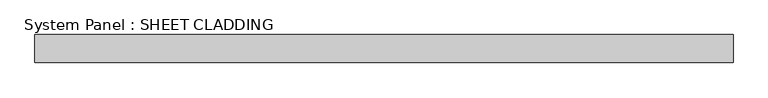
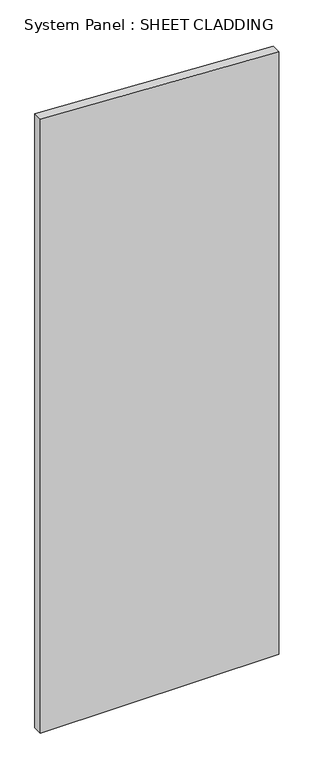
"""IFC4 building model written with IfcOpenShell, lengths in millimetres: plate geometry, System Panel : SHEET CLADDING."""

import ifcopenshell
import ifcopenshell.guid

model = None  # the IFC model being written
_history = None  # IfcOwnerHistory: only IFC2X3 demands one
_inside = {}  # id of a spatial element -> (the spatial element, [elements in it])
_under = {}  # id of a project, library or spatial element -> (it, [spatial elements below it])
_declared = {}  # id of a project -> (the project, [libraries it declares])
_typed = {}  # id of a type object -> (the type object, [elements of that type])
_made_of = {}  # id of a material, layer set ... -> (it, [elements and type objects made of it])


def new_model(schema):
    """Start an empty IFC model of exactly this schema.

    Asked for "IFC4X3", IfcOpenShell would pick the latest addendum, in which some entities
    have other attributes; the version numbers below select the first issue.
    IFC2X3 requires an IfcOwnerHistory on every rooted entity: one is made here for all.
    """
    global model, _history
    if schema == "IFC4X3":
        model = ifcopenshell.file(schema_version=(4, 3, 0, 0))
    else:
        model = ifcopenshell.file(schema=schema)
    _inside.clear()
    _under.clear()
    _declared.clear()
    _typed.clear()
    _made_of.clear()
    _history = None
    if model.schema == "IFC2X3":
        org = make("IfcOrganization", Name="unknown")
        user = make(
            "IfcPersonAndOrganization",
            ThePerson=make("IfcPerson", FamilyName="unknown"),
            TheOrganization=org,
        )
        app = make(
            "IfcApplication",
            ApplicationDeveloper=org,
            Version="unknown",
            ApplicationFullName="unknown",
            ApplicationIdentifier="unknown",
        )
        _history = make(
            "IfcOwnerHistory",
            OwningUser=user,
            OwningApplication=app,
            ChangeAction="ADDED",
            CreationDate=0,
        )
    return model


def make(cls, **values):
    """One entity of the class cls with the attributes given. An attribute that is None is left unset."""
    return model.create_entity(
        cls, **{name: value for name, value in values.items() if value is not None}
    )


def rooted(cls, **values):
    """An entity with a GlobalId (a new one), such as an element, a storey or a relation."""
    return make(cls, GlobalId=ifcopenshell.guid.new(), OwnerHistory=_history, **values)


def si_unit(unit_type, name, prefix=None):
    """IfcSIUnit, for example si_unit("LENGTHUNIT", "METRE", prefix="MILLI")."""
    return make("IfcSIUnit", UnitType=unit_type, Prefix=prefix, Name=name)


def assignment(units):
    """IfcUnitAssignment: the units of a project."""
    return None if units is None else make("IfcUnitAssignment", Units=units)


def point(xyz):
    """IfcCartesianPoint."""
    return None if xyz is None else make("IfcCartesianPoint", Coordinates=xyz)


def direction(xyz):
    """IfcDirection."""
    return None if xyz is None else make("IfcDirection", DirectionRatios=xyz)


def frame(location, z_axis=None, x_axis=None):
    """IfcAxis2Placement3D, a coordinate frame: its origin and axes. An axis left out is left unset."""
    return make(
        "IfcAxis2Placement3D",
        Location=point(location),
        Axis=direction(z_axis),
        RefDirection=direction(x_axis),
    )


def origin():
    """The frame at (0, 0, 0) with its axes left unset."""
    return frame((0.0, 0.0, 0.0))


def place(relative_to, where):
    """IfcLocalPlacement: puts the frame where relative to a parent placement (None: the world)."""
    return make(
        "IfcLocalPlacement", PlacementRelTo=relative_to, RelativePlacement=where
    )


def context(
    kind, dimensions, precision=None, world=None, true_north=None, identifier=None
):
    """IfcGeometricRepresentationContext, for example the 3D "Model" context."""
    return make(
        "IfcGeometricRepresentationContext",
        ContextIdentifier=identifier,
        ContextType=kind,
        CoordinateSpaceDimension=dimensions,
        Precision=precision,
        WorldCoordinateSystem=world,
        TrueNorth=true_north,
    )


def project(units=None, contexts=None):
    """IfcProject with its units and contexts."""
    return rooted(
        "IfcProject",
        Name="project",
        RepresentationContexts=contexts,
        UnitsInContext=assignment(units),
    )


def spatial(cls, under=None, at=None, **own):
    """A site, building, storey or space (cls), placed at a placement, below another one or the project."""
    s = rooted(cls, ObjectPlacement=at, **own)
    if under is not None:
        _under.setdefault(under.id(), (under, []))[1].append(s)
    return s


def polyline(points):
    """IfcPolyline through the points."""
    return make("IfcPolyline", Points=[point(p) for p in points])


def outline(outer, holes=None, kind="AREA"):
    """IfcArbitraryClosedProfileDef: a profile drawn as a closed curve; with holes, ...WithVoids."""
    if holes is None:
        return make("IfcArbitraryClosedProfileDef", ProfileType=kind, OuterCurve=outer)
    return make(
        "IfcArbitraryProfileDefWithVoids",
        ProfileType=kind,
        OuterCurve=outer,
        InnerCurves=holes,
    )


def extrude(swept, where, along, depth):
    """IfcExtrudedAreaSolid: the profile swept, set in the frame where, extruded along a direction by depth."""
    return make(
        "IfcExtrudedAreaSolid",
        SweptArea=swept,
        Position=where,
        ExtrudedDirection=direction(along),
        Depth=depth,
    )


def shape(context_of_items, identifier, shape_type, items):
    """IfcShapeRepresentation: the items that make up one representation, for example the "Body"."""
    return make(
        "IfcShapeRepresentation",
        ContextOfItems=context_of_items,
        RepresentationIdentifier=identifier,
        RepresentationType=shape_type,
        Items=items,
    )


def source(mapping_origin, context_of_items, identifier, shape_type, items):
    """IfcRepresentationMap: a shape defined once, which mapped items show again and again."""
    return make(
        "IfcRepresentationMap",
        MappingOrigin=mapping_origin,
        MappedRepresentation=shape(context_of_items, identifier, shape_type, items),
    )


def transform(
    local_origin,
    x_axis=None,
    y_axis=None,
    z_axis=None,
    scale=None,
    scale2=None,
    scale3=None,
    uniform=True,
):
    """IfcCartesianTransformationOperator3D, or its non-uniform kind. x_axis, y_axis, z_axis: its Axis1, 2, 3."""
    if uniform:
        return make(
            "IfcCartesianTransformationOperator3D",
            Axis1=direction(x_axis),
            Axis2=direction(y_axis),
            LocalOrigin=point(local_origin),
            Scale=scale,
            Axis3=direction(z_axis),
        )
    return make(
        "IfcCartesianTransformationOperator3DnonUniform",
        Axis1=direction(x_axis),
        Axis2=direction(y_axis),
        LocalOrigin=point(local_origin),
        Scale=scale,
        Axis3=direction(z_axis),
        Scale2=scale2,
        Scale3=scale3,
    )


def mapped(mapping_source, mapping_target):
    """IfcMappedItem: shows the shape of a source again, moved by a transform."""
    return make(
        "IfcMappedItem", MappingSource=mapping_source, MappingTarget=mapping_target
    )


def made_of(thing, what):
    """Note that an element or type object is made of a material, layer set ...; save() writes the relation."""
    if what is not None:
        _made_of.setdefault(what.id(), (what, []))[1].append(thing)
    return thing


def element(
    cls,
    number,
    at=None,
    inside=None,
    cuts=None,
    type_object=None,
    material=None,
    context=None,
    identifier="Body",
    shape_type=None,
    held_by="IfcProductDefinitionShape",
    body=None,
    shapes=None,
    **own,
):
    """One element of the class cls, such as IfcWall. Its Tag is "e" and its number.

    at: its placement. inside: the storey or other place that contains it. cuts: it is an
    opening in that element (IfcRelVoidsElement). A single representation is given by context,
    identifier, shape_type and body (its items); several are given by shapes. held_by: the class
    of the entity that holds the representations. save() writes the other relations.
    """
    e = rooted(cls, Tag="e%d" % number, ObjectPlacement=at, **own)
    if body is not None:
        shapes = [shape(context, identifier, shape_type, body)]
    if shapes is not None:
        e.Representation = make(held_by, Representations=shapes)
    if inside is not None:
        _inside.setdefault(inside.id(), (inside, []))[1].append(e)
    if cuts is not None:
        rooted(
            "IfcRelVoidsElement", RelatingBuildingElement=cuts, RelatedOpeningElement=e
        )
    if type_object is not None:
        _typed.setdefault(type_object.id(), (type_object, []))[1].append(e)
    return made_of(e, material)


def aggregate(whole, parts):
    """IfcRelAggregates: a whole, such as a stair, and the parts it consists of."""
    return rooted("IfcRelAggregates", RelatingObject=whole, RelatedObjects=parts)


def save(model, path):
    """Write the relations noted so far, then the file.

    IfcRelAggregates (storeys below a building ...), IfcRelContainedInSpatialStructure (elements
    in a storey), IfcRelDefinesByType, IfcRelAssociatesMaterial and IfcRelDeclares: one each for
    every whole, place, type object, material and project.
    """
    for whole, parts in _under.values():
        aggregate(whole, parts)
    for where, things in _inside.values():
        rooted(
            "IfcRelContainedInSpatialStructure",
            RelatedElements=things,
            RelatingStructure=where,
        )
    for kind, things in _typed.values():
        rooted("IfcRelDefinesByType", RelatedObjects=things, RelatingType=kind)
    for what, things in _made_of.values():
        rooted("IfcRelAssociatesMaterial", RelatedObjects=things, RelatingMaterial=what)
    for by, libraries in _declared.values():
        rooted("IfcRelDeclares", RelatingContext=by, RelatedDefinitions=libraries)
    model.write(path)


def system_panel_sheet_cladding_07a243df(model_context):
    return source(origin(), model_context, "Body", "SweptSolid", [
        extrude(outline(polyline([(0.0, -750.0), (0.0, 750.0), (4010.1, 750.0), (4085.1, -750.0), (0.0, -750.0)])), frame((0.0, -49.5, 0.0), z_axis=(0.0, 1.0, 0.0), x_axis=(0.0, 0.0, 1.0)), (0.0, 0.0, 1.0), 60.0),
    ])


if __name__ == "__main__":
    model = new_model("IFC4")
    model_context = context("Model", 3, world=origin())
    ifc_project = project(units=[si_unit("LENGTHUNIT", "METRE", prefix="MILLI")], contexts=[model_context])
    site = spatial("IfcSite", under=ifc_project)
    building = spatial("IfcBuilding", under=site)
    placement = place(None, origin())
    system_panel_sheet_cladding_shape = system_panel_sheet_cladding_07a243df(model_context)
    element("IfcPlate", 1, ObjectType="System Panel : SHEET CLADDING", at=placement, inside=building, context=model_context, shape_type="MappedRepresentation", body=[
        mapped(system_panel_sheet_cladding_shape, transform((0.0, 0.0, 0.0), x_axis=(1.0, 0.0, 0.0), y_axis=(0.0, 1.0, 0.0), z_axis=(0.0, 0.0, 1.0))),
    ])
    save(model, "model.ifc")
